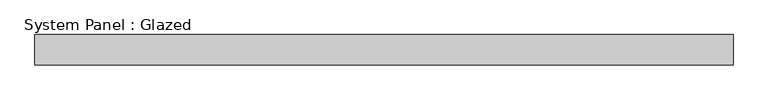
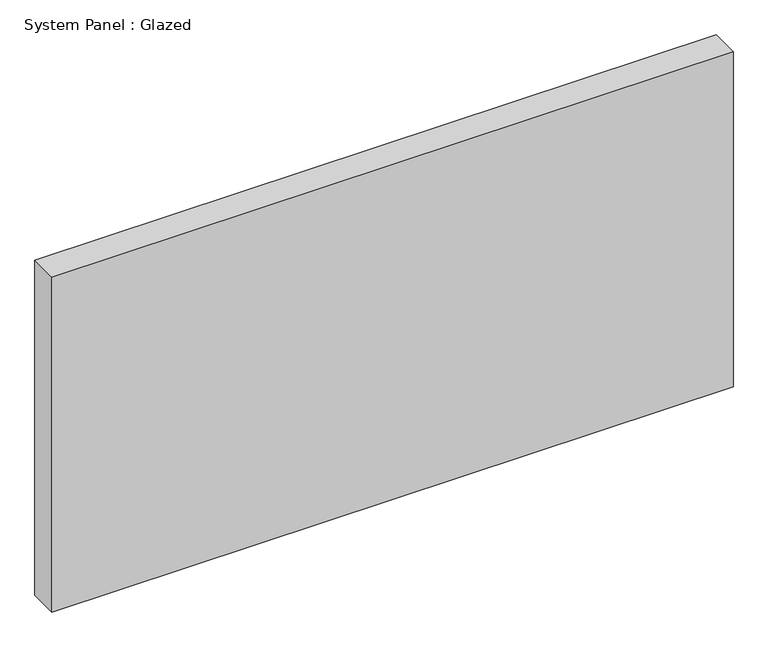
"""IFC4 building model written with IfcOpenShell, lengths in millimetres: plate geometry, System Panel : Glazed."""

from ifc_helpers import new_model, si_unit, origin, origin_with_axes, place, context, project, spatial, polyline, outline, extrude, source, transform, mapped, element, save


def system_panel_glazed_a2cc902e(model_context):
    return source(origin(), model_context, "Body", "SweptSolid", [
        extrude(outline(polyline([(1155.0, 50.0), (-1155.0, 50.0), (-1155.0, 150.0), (1155.0, 150.0), (1155.0, 50.0)])), origin_with_axes(), (0.0, 0.0, 1.0), 1200.0),
    ])


if __name__ == "__main__":
    model = new_model("IFC4")
    model_context = context("Model", 3, world=origin())
    ifc_project = project(units=[si_unit("LENGTHUNIT", "METRE", prefix="MILLI")], contexts=[model_context])
    site = spatial("IfcSite", under=ifc_project)
    building = spatial("IfcBuilding", under=site)
    placement = place(None, origin())
    system_panel_glazed_shape = system_panel_glazed_a2cc902e(model_context)
    element("IfcPlate", 1, ObjectType="System Panel : Glazed", at=placement, inside=building, context=model_context, shape_type="MappedRepresentation", body=[
        mapped(system_panel_glazed_shape, transform((0.0, 0.0, 0.0), x_axis=(1.0, 0.0, 0.0), y_axis=(0.0, 1.0, 0.0), z_axis=(0.0, 0.0, 1.0))),
    ])
    save(model, "model.ifc")
